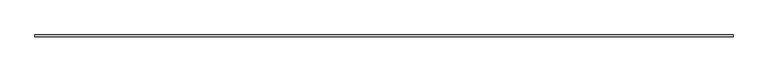
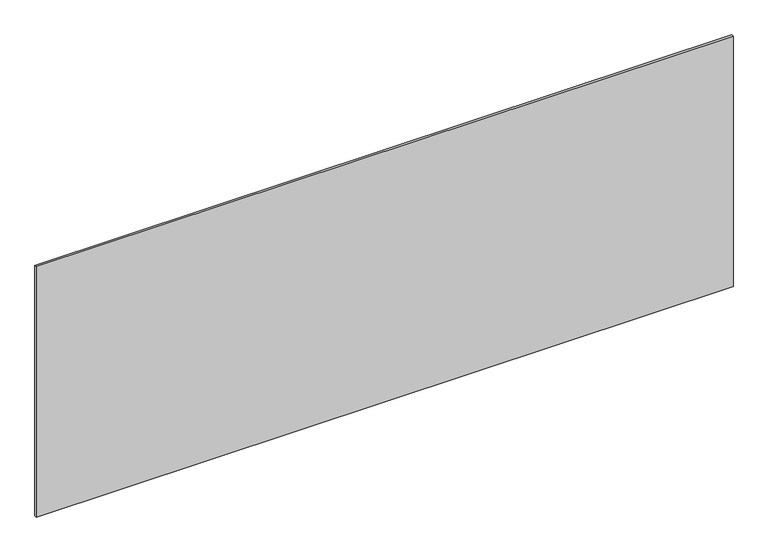
"""IFC4 building model written with IfcOpenShell, lengths in millimetres: plate geometry."""

from ifc_helpers import new_model, si_unit, origin, origin_with_axes, place, context, project, spatial, polyline, outline, extrude, source, transform, mapped, element, save


def plate_549cec87(model_context):
    return source(origin(), model_context, "Body", "SweptSolid", [
        extrude(outline(polyline([(1715.0, -5.0), (-1715.0, -5.0), (-1715.0, 5.0), (1715.0, 5.0), (1715.0, -5.0)])), origin_with_axes(), (0.0, 0.0, 1.0), 1304.0022559),
    ])


if __name__ == "__main__":
    model = new_model("IFC4")
    model_context = context("Model", 3, world=origin())
    ifc_project = project(units=[si_unit("LENGTHUNIT", "METRE", prefix="MILLI")], contexts=[model_context])
    site = spatial("IfcSite", under=ifc_project)
    building = spatial("IfcBuilding", under=site)
    placement = place(None, origin())
    plate_shape = plate_549cec87(model_context)
    element("IfcPlate", 1, at=placement, inside=building, context=model_context, shape_type="MappedRepresentation", body=[
        mapped(plate_shape, transform((0.0, 0.0, 0.0), x_axis=(1.0, 0.0, 0.0), y_axis=(0.0, 1.0, 0.0), z_axis=(0.0, 0.0, 1.0))),
    ])
    save(model, "model.ifc")
